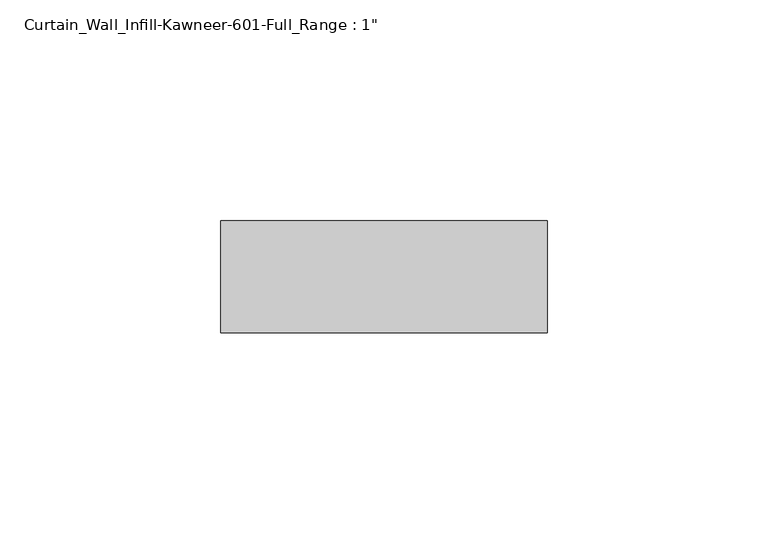
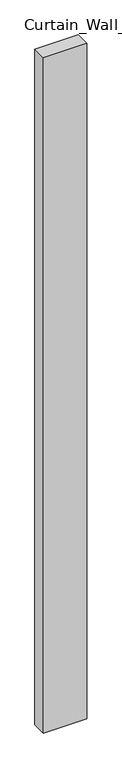
"""IFC4 building model written with IfcOpenShell, lengths in millimetres: plate geometry."""

import ifcopenshell
import ifcopenshell.guid

model = None  # the IFC model being written
_history = None  # IfcOwnerHistory: only IFC2X3 demands one
_inside = {}  # id of a spatial element -> (the spatial element, [elements in it])
_under = {}  # id of a project, library or spatial element -> (it, [spatial elements below it])
_declared = {}  # id of a project -> (the project, [libraries it declares])
_typed = {}  # id of a type object -> (the type object, [elements of that type])
_made_of = {}  # id of a material, layer set ... -> (it, [elements and type objects made of it])


def new_model(schema):
    """Start an empty IFC model of exactly this schema.

    Asked for "IFC4X3", IfcOpenShell would pick the latest addendum, in which some entities
    have other attributes; the version numbers below select the first issue.
    IFC2X3 requires an IfcOwnerHistory on every rooted entity: one is made here for all.
    """
    global model, _history
    if schema == "IFC4X3":
        model = ifcopenshell.file(schema_version=(4, 3, 0, 0))
    else:
        model = ifcopenshell.file(schema=schema)
    _inside.clear()
    _under.clear()
    _declared.clear()
    _typed.clear()
    _made_of.clear()
    _history = None
    if model.schema == "IFC2X3":
        org = make("IfcOrganization", Name="unknown")
        user = make(
            "IfcPersonAndOrganization",
            ThePerson=make("IfcPerson", FamilyName="unknown"),
            TheOrganization=org,
        )
        app = make(
            "IfcApplication",
            ApplicationDeveloper=org,
            Version="unknown",
            ApplicationFullName="unknown",
            ApplicationIdentifier="unknown",
        )
        _history = make(
            "IfcOwnerHistory",
            OwningUser=user,
            OwningApplication=app,
            ChangeAction="ADDED",
            CreationDate=0,
        )
    return model


def make(cls, **values):
    """One entity of the class cls with the attributes given. An attribute that is None is left unset."""
    return model.create_entity(
        cls, **{name: value for name, value in values.items() if value is not None}
    )


def rooted(cls, **values):
    """An entity with a GlobalId (a new one), such as an element, a storey or a relation."""
    return make(cls, GlobalId=ifcopenshell.guid.new(), OwnerHistory=_history, **values)


def si_unit(unit_type, name, prefix=None):
    """IfcSIUnit, for example si_unit("LENGTHUNIT", "METRE", prefix="MILLI")."""
    return make("IfcSIUnit", UnitType=unit_type, Prefix=prefix, Name=name)


def assignment(units):
    """IfcUnitAssignment: the units of a project."""
    return None if units is None else make("IfcUnitAssignment", Units=units)


def point(xyz):
    """IfcCartesianPoint."""
    return None if xyz is None else make("IfcCartesianPoint", Coordinates=xyz)


def direction(xyz):
    """IfcDirection."""
    return None if xyz is None else make("IfcDirection", DirectionRatios=xyz)


def frame(location, z_axis=None, x_axis=None):
    """IfcAxis2Placement3D, a coordinate frame: its origin and axes. An axis left out is left unset."""
    return make(
        "IfcAxis2Placement3D",
        Location=point(location),
        Axis=direction(z_axis),
        RefDirection=direction(x_axis),
    )


def origin():
    """The frame at (0, 0, 0) with its axes left unset."""
    return frame((0.0, 0.0, 0.0))


def origin_with_axes():
    """The frame at (0, 0, 0) with the z axis (0, 0, 1) and the x axis (1, 0, 0) written out."""
    return frame((0.0, 0.0, 0.0), z_axis=(0.0, 0.0, 1.0), x_axis=(1.0, 0.0, 0.0))


def place(relative_to, where):
    """IfcLocalPlacement: puts the frame where relative to a parent placement (None: the world)."""
    return make(
        "IfcLocalPlacement", PlacementRelTo=relative_to, RelativePlacement=where
    )


def context(
    kind, dimensions, precision=None, world=None, true_north=None, identifier=None
):
    """IfcGeometricRepresentationContext, for example the 3D "Model" context."""
    return make(
        "IfcGeometricRepresentationContext",
        ContextIdentifier=identifier,
        ContextType=kind,
        CoordinateSpaceDimension=dimensions,
        Precision=precision,
        WorldCoordinateSystem=world,
        TrueNorth=true_north,
    )


def project(units=None, contexts=None):
    """IfcProject with its units and contexts."""
    return rooted(
        "IfcProject",
        Name="project",
        RepresentationContexts=contexts,
        UnitsInContext=assignment(units),
    )


def spatial(cls, under=None, at=None, **own):
    """A site, building, storey or space (cls), placed at a placement, below another one or the project."""
    s = rooted(cls, ObjectPlacement=at, **own)
    if under is not None:
        _under.setdefault(under.id(), (under, []))[1].append(s)
    return s


def polyline(points):
    """IfcPolyline through the points."""
    return make("IfcPolyline", Points=[point(p) for p in points])


def outline(outer, holes=None, kind="AREA"):
    """IfcArbitraryClosedProfileDef: a profile drawn as a closed curve; with holes, ...WithVoids."""
    if holes is None:
        return make("IfcArbitraryClosedProfileDef", ProfileType=kind, OuterCurve=outer)
    return make(
        "IfcArbitraryProfileDefWithVoids",
        ProfileType=kind,
        OuterCurve=outer,
        InnerCurves=holes,
    )


def extrude(swept, where, along, depth):
    """IfcExtrudedAreaSolid: the profile swept, set in the frame where, extruded along a direction by depth."""
    return make(
        "IfcExtrudedAreaSolid",
        SweptArea=swept,
        Position=where,
        ExtrudedDirection=direction(along),
        Depth=depth,
    )


def shape(context_of_items, identifier, shape_type, items):
    """IfcShapeRepresentation: the items that make up one representation, for example the "Body"."""
    return make(
        "IfcShapeRepresentation",
        ContextOfItems=context_of_items,
        RepresentationIdentifier=identifier,
        RepresentationType=shape_type,
        Items=items,
    )


def source(mapping_origin, context_of_items, identifier, shape_type, items):
    """IfcRepresentationMap: a shape defined once, which mapped items show again and again."""
    return make(
        "IfcRepresentationMap",
        MappingOrigin=mapping_origin,
        MappedRepresentation=shape(context_of_items, identifier, shape_type, items),
    )


def transform(
    local_origin,
    x_axis=None,
    y_axis=None,
    z_axis=None,
    scale=None,
    scale2=None,
    scale3=None,
    uniform=True,
):
    """IfcCartesianTransformationOperator3D, or its non-uniform kind. x_axis, y_axis, z_axis: its Axis1, 2, 3."""
    if uniform:
        return make(
            "IfcCartesianTransformationOperator3D",
            Axis1=direction(x_axis),
            Axis2=direction(y_axis),
            LocalOrigin=point(local_origin),
            Scale=scale,
            Axis3=direction(z_axis),
        )
    return make(
        "IfcCartesianTransformationOperator3DnonUniform",
        Axis1=direction(x_axis),
        Axis2=direction(y_axis),
        LocalOrigin=point(local_origin),
        Scale=scale,
        Axis3=direction(z_axis),
        Scale2=scale2,
        Scale3=scale3,
    )


def mapped(mapping_source, mapping_target):
    """IfcMappedItem: shows the shape of a source again, moved by a transform."""
    return make(
        "IfcMappedItem", MappingSource=mapping_source, MappingTarget=mapping_target
    )


def made_of(thing, what):
    """Note that an element or type object is made of a material, layer set ...; save() writes the relation."""
    if what is not None:
        _made_of.setdefault(what.id(), (what, []))[1].append(thing)
    return thing


def element(
    cls,
    number,
    at=None,
    inside=None,
    cuts=None,
    type_object=None,
    material=None,
    context=None,
    identifier="Body",
    shape_type=None,
    held_by="IfcProductDefinitionShape",
    body=None,
    shapes=None,
    **own,
):
    """One element of the class cls, such as IfcWall. Its Tag is "e" and its number.

    at: its placement. inside: the storey or other place that contains it. cuts: it is an
    opening in that element (IfcRelVoidsElement). A single representation is given by context,
    identifier, shape_type and body (its items); several are given by shapes. held_by: the class
    of the entity that holds the representations. save() writes the other relations.
    """
    e = rooted(cls, Tag="e%d" % number, ObjectPlacement=at, **own)
    if body is not None:
        shapes = [shape(context, identifier, shape_type, body)]
    if shapes is not None:
        e.Representation = make(held_by, Representations=shapes)
    if inside is not None:
        _inside.setdefault(inside.id(), (inside, []))[1].append(e)
    if cuts is not None:
        rooted(
            "IfcRelVoidsElement", RelatingBuildingElement=cuts, RelatedOpeningElement=e
        )
    if type_object is not None:
        _typed.setdefault(type_object.id(), (type_object, []))[1].append(e)
    return made_of(e, material)


def aggregate(whole, parts):
    """IfcRelAggregates: a whole, such as a stair, and the parts it consists of."""
    return rooted("IfcRelAggregates", RelatingObject=whole, RelatedObjects=parts)


def save(model, path):
    """Write the relations noted so far, then the file.

    IfcRelAggregates (storeys below a building ...), IfcRelContainedInSpatialStructure (elements
    in a storey), IfcRelDefinesByType, IfcRelAssociatesMaterial and IfcRelDeclares: one each for
    every whole, place, type object, material and project.
    """
    for whole, parts in _under.values():
        aggregate(whole, parts)
    for where, things in _inside.values():
        rooted(
            "IfcRelContainedInSpatialStructure",
            RelatedElements=things,
            RelatingStructure=where,
        )
    for kind, things in _typed.values():
        rooted("IfcRelDefinesByType", RelatedObjects=things, RelatingType=kind)
    for what, things in _made_of.values():
        rooted("IfcRelAssociatesMaterial", RelatedObjects=things, RelatingMaterial=what)
    for by, libraries in _declared.values():
        rooted("IfcRelDeclares", RelatingContext=by, RelatedDefinitions=libraries)
    model.write(path)


def plate_6cb237f1(model_context):
    return source(origin(), model_context, "Body", "SweptSolid", [
        extrude(outline(polyline([(-36.985575, -12.7), (-36.985575, 12.7), (36.985575, 12.7), (36.985575, -12.7), (-36.985575, -12.7)])), origin_with_axes(), (0.0, 0.0, 1.0), 1219.2),
    ])


if __name__ == "__main__":
    model = new_model("IFC4")
    model_context = context("Model", 3, world=origin())
    ifc_project = project(units=[si_unit("LENGTHUNIT", "METRE", prefix="MILLI")], contexts=[model_context])
    site = spatial("IfcSite", under=ifc_project)
    building = spatial("IfcBuilding", under=site)
    placement = place(None, origin())
    plate_shape = plate_6cb237f1(model_context)
    element("IfcPlate", 1, ObjectType="Curtain_Wall_Infill-Kawneer-601-Full_Range : 1\"", at=placement, inside=building, context=model_context, shape_type="MappedRepresentation", body=[
        mapped(plate_shape, transform((0.0, 0.0, 0.0), x_axis=(1.0, 0.0, 0.0), y_axis=(0.0, 1.0, 0.0), z_axis=(0.0, 0.0, 1.0))),
    ])
    save(model, "model.ifc")
